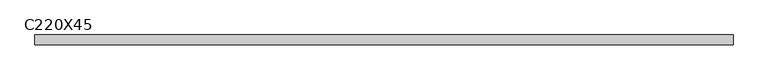
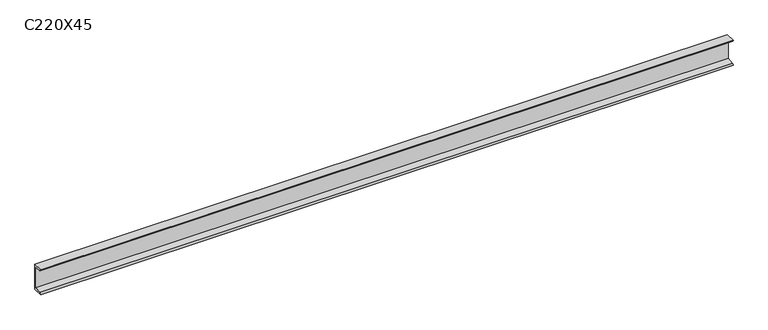
"""IFC4 building model written with IfcOpenShell, lengths in millimetres: beam geometry, C220X45."""

from ifc_helpers import new_model, si_unit, point, frame, frame_2d, origin, place, context, project, spatial, polyline, circle_curve, trimmed, segment, composite_curve, outline, extrude, source, transform, mapped, element, save


def c220x45_4aed1b5d(model_context):
    return source(origin(), model_context, "Body", "SweptSolid", [
        extrude(outline(composite_curve([segment(polyline([(17.0, 110.0), (17.0, -110.0), (-64.0, -110.0)]), True, "CONTINUOUS"), segment(trimmed(circle_curve(frame_2d((-51.0, -110.0)), 13.0), [point((-64.0, -110.0))], [point((-51.0, -97.0))], False, "CARTESIAN"), True, "CONTINUOUS"), segment(polyline([(-51.0, -97.0), (4.0, -88.2888558), (4.0, 88.2888558), (-51.0, 97.0)]), True, "CONTINUOUS"), segment(trimmed(circle_curve(frame_2d((-51.0, 110.0)), 13.0), [point((-51.0, 97.0))], [point((-64.0, 110.0))], False, "CARTESIAN"), True, "CONTINUOUS"), segment(polyline([(-64.0, 110.0), (17.0, 110.0)]), True, "CONTINUOUS")], self_intersect=False)), frame((-2888.5, 0.0, 0.0), z_axis=(1.0, 0.0, 0.0), x_axis=(0.0, 1.0, 0.0)), (0.0, 0.0, 1.0), 5777.0),
    ])


if __name__ == "__main__":
    model = new_model("IFC4")
    model_context = context("Model", 3, world=origin())
    ifc_project = project(units=[si_unit("LENGTHUNIT", "METRE", prefix="MILLI")], contexts=[model_context])
    site = spatial("IfcSite", under=ifc_project)
    building = spatial("IfcBuilding", under=site)
    placement = place(None, origin())
    c220x45_shape = c220x45_4aed1b5d(model_context)
    element("IfcBeam", 1, ObjectType="C220X45", at=placement, inside=building, context=model_context, shape_type="MappedRepresentation", body=[
        mapped(c220x45_shape, transform((0.0, 0.0, 0.0), x_axis=(1.0, 0.0, 0.0), y_axis=(0.0, 1.0, 0.0), z_axis=(0.0, 0.0, 1.0))),
    ])
    save(model, "model.ifc")
